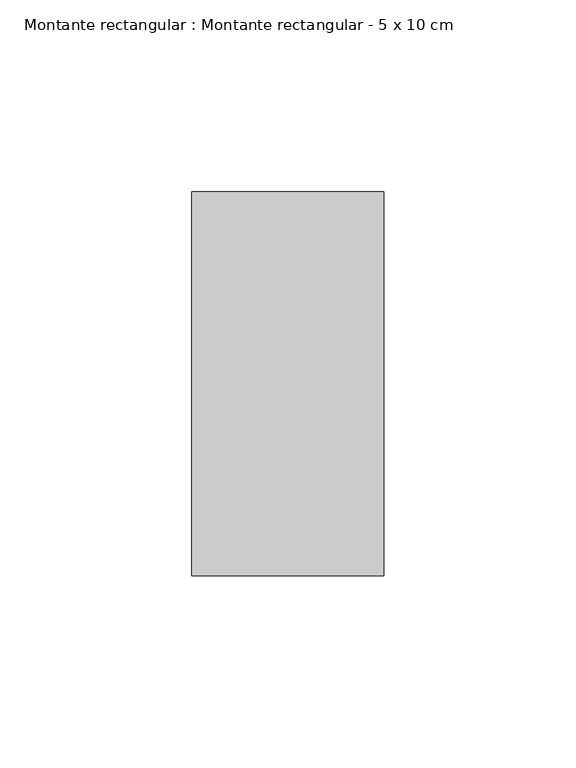
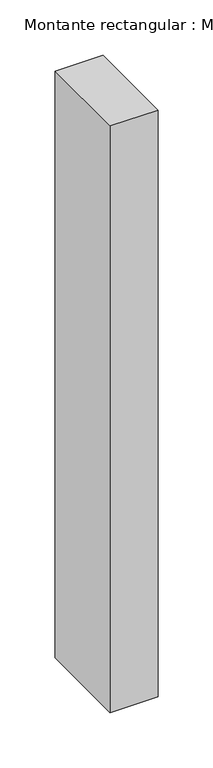
"""IFC4 building model written with IfcOpenShell, lengths in millimetres: member geometry, Montante rectangular : Montante rectangular - 5 x 10 cm."""

from ifc_helpers import new_model, si_unit, frame, origin, place, context, project, spatial, polyline, outline, extrude, source, transform, mapped, element, save


def montante_rectangular_montante_rectangular_5_x_10_cm_046518c5(model_context):
    return source(origin(), model_context, "Body", "SweptSolid", [
        extrude(outline(polyline([(0.0, 50.0), (0.0, -50.0), (-50.0, -50.0), (-50.0, 50.0), (0.0, 50.0)])), frame((0.0, 0.0, -649.0), z_axis=(0.0, 0.0, 1.0), x_axis=(1.0, 0.0, 0.0)), (0.0, 0.0, 1.0), 649.0),
    ])


if __name__ == "__main__":
    model = new_model("IFC4")
    model_context = context("Model", 3, world=origin())
    ifc_project = project(units=[si_unit("LENGTHUNIT", "METRE", prefix="MILLI")], contexts=[model_context])
    site = spatial("IfcSite", under=ifc_project)
    building = spatial("IfcBuilding", under=site)
    placement = place(None, origin())
    montante_rectangular_montante_rectangular_5_x_10_cm_shape = montante_rectangular_montante_rectangular_5_x_10_cm_046518c5(model_context)
    element("IfcMember", 1, ObjectType="Montante rectangular : Montante rectangular - 5 x 10 cm", at=placement, inside=building, context=model_context, shape_type="MappedRepresentation", body=[
        mapped(montante_rectangular_montante_rectangular_5_x_10_cm_shape, transform((0.0, 0.0, 0.0), x_axis=(1.0, 0.0, 0.0), y_axis=(0.0, 1.0, 0.0), z_axis=(0.0, 0.0, 1.0))),
    ])
    save(model, "model.ifc")
